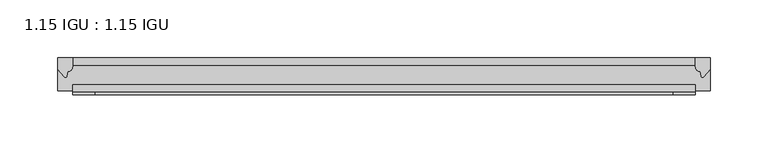
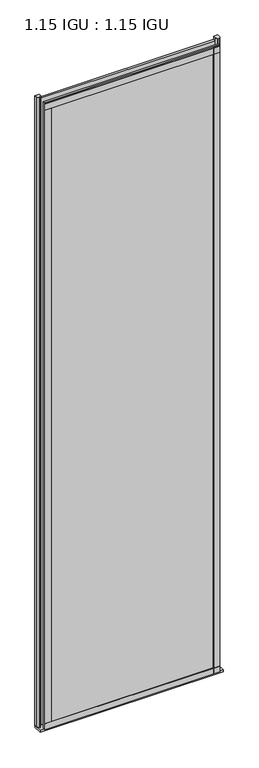
"""IFC4 building model written with IfcOpenShell, lengths in millimetres: plate geometry, 1.15 IGU : 1.15 IGU."""

from ifc_helpers import new_model, si_unit, point, frame, frame_2d, origin, place, context, project, spatial, polyline, circle_curve, trimmed, segment, composite_curve, outline, extrude, source, transform, mapped, element, save


def plate_1_15_igu_1_15_igu_234ca4bf(model_context):
    return source(origin(), model_context, "Body", "SweptSolid", [
        extrude(outline(polyline([(269.3769599, 0.0), (269.3769599, -6.2992), (-269.3769599, -6.2992), (-269.3769599, 0.0), (269.3769599, 0.0)])), frame((0.0, 0.0, -19.05), z_axis=(0.0, 0.0, 1.0), x_axis=(1.0, 0.0, 0.0)), (0.0, 0.0, 1.0), 2041.5250001),
        extrude(outline(polyline([(-269.3769599, -23.1648), (269.3769599, -23.1648), (269.3769599, -29.464), (-269.3769599, -29.464), (-269.3769599, -23.1648)])), frame((0.0, 0.0, -19.05), z_axis=(0.0, 0.0, 1.0), x_axis=(1.0, 0.0, 0.0)), (0.0, 0.0, 1.0), 2041.5250001),
        extrude(outline(composite_curve([segment(trimmed(circle_curve(frame_2d((10.9021792, -22.6833935)), 11.4916952), [point((0.0, -19.05))], [point((-0.2638007, -25.4))], True, "CARTESIAN"), True, "CONTINUOUS"), segment(polyline([(-0.2638007, -25.4), (-27.9952564, -25.4), (-27.9952564, -19.05), (0.0, -19.05)]), True, "CONTINUOUS")], self_intersect=False)), frame((-282.0769599, 0.0, 0.0), z_axis=(1.0, 0.0, 0.0), x_axis=(0.0, 1.0, 0.0)), (0.0, 0.0, 1.0), 564.1539197),
        extrude(outline(composite_curve([segment(polyline([(282.0769599, 0.0), (282.0769599, -9.7395025), (276.510729, -16.3730781)]), True, "CONTINUOUS"), segment(trimmed(circle_curve(frame_2d((275.557054, -15.7728374)), 1.1268473), [point((276.510729, -16.3730781))], [point((274.4561011, -16.0130197))], False, "CARTESIAN"), True, "CONTINUOUS"), segment(polyline([(274.4561011, -16.0130197), (273.4759096, -11.7377885)]), True, "CONTINUOUS"), segment(trimmed(circle_curve(frame_2d((273.3484578, -7.7683362)), 3.9714979), [point((273.4759096, -11.7377885))], [point((269.3771385, -7.8060014))], False, "CARTESIAN"), True, "CONTINUOUS"), segment(polyline([(269.3771385, -7.8060014), (269.3771385, 0.0), (282.0769599, 0.0)]), True, "CONTINUOUS")], self_intersect=False)), frame((0.0, 0.0, -19.05), z_axis=(0.0, 0.0, 1.0), x_axis=(1.0, 0.0, 0.0)), (0.0, 0.0, 1.0), 2051.8374001),
        extrude(outline(composite_curve([segment(polyline([(-269.3769599, 8.8e-06), (-269.3769599, -7.7683362)]), True, "CONTINUOUS"), segment(trimmed(circle_curve(frame_2d((-273.3484578, -7.7683362)), 3.9714979), [point((-269.3769599, -7.7683362))], [point((-273.4759096, -11.7377885))], False, "CARTESIAN"), True, "CONTINUOUS"), segment(polyline([(-273.4759096, -11.7377885), (-274.4559441, -16.012436)]), True, "CONTINUOUS"), segment(trimmed(circle_curve(frame_2d((-275.5571531, -15.7723555)), 1.1270758), [point((-274.4559441, -16.012436))], [point((-276.5109925, -16.372764))], False, "CARTESIAN"), True, "CONTINUOUS"), segment(polyline([(-276.5109925, -16.372764), (-282.0769599, -9.7395025), (-282.0769599, 8.8e-06), (-269.3769599, 8.8e-06)]), True, "CONTINUOUS")], self_intersect=False)), frame((0.0, 0.0, -19.05), z_axis=(0.0, 0.0, 1.0), x_axis=(1.0, 0.0, 0.0)), (0.0, 0.0, 1.0), 2051.8374001),
        extrude(outline(polyline([(-269.3769599, -31.75), (-269.3769599, -29.464), (269.3769599, -29.464), (269.3769599, -31.75), (-269.3769599, -31.75)])), frame((0.0, 0.0, -19.05), z_axis=(0.0, 0.0, 1.0), x_axis=(1.0, 0.0, 0.0)), (0.0, 0.0, 1.0), 19.05),
        extrude(outline(polyline([(-269.3769599, -31.75), (-269.3769599, -29.464), (269.3769599, -29.464), (269.3769599, -31.75), (-269.3769599, -31.75)])), frame((0.0, 0.0, 2000.2500001), z_axis=(0.0, 0.0, 1.0), x_axis=(1.0, 0.0, 0.0)), (0.0, 0.0, 1.0), 19.05),
        extrude(outline(polyline([(250.3269599, -29.464), (269.3769599, -29.464), (269.3769599, -31.75), (250.3269599, -31.75), (250.3269599, -29.464)])), frame((0.0, 0.0, -19.05), z_axis=(0.0, 0.0, 1.0), x_axis=(1.0, 0.0, 0.0)), (0.0, 0.0, 1.0), 2041.5250001),
        extrude(outline(polyline([(-269.3769599, -31.75), (-269.3769599, -29.464), (-250.3269599, -29.464), (-250.3269599, -31.75), (-269.3769599, -31.75)])), frame((0.0, 0.0, -19.05), z_axis=(0.0, 0.0, 1.0), x_axis=(1.0, 0.0, 0.0)), (0.0, 0.0, 1.0), 2041.5250001),
    ])


if __name__ == "__main__":
    model = new_model("IFC4")
    model_context = context("Model", 3, world=origin())
    ifc_project = project(units=[si_unit("LENGTHUNIT", "METRE", prefix="MILLI")], contexts=[model_context])
    site = spatial("IfcSite", under=ifc_project)
    building = spatial("IfcBuilding", under=site)
    placement = place(None, origin())
    plate_1_15_igu_1_15_igu_shape = plate_1_15_igu_1_15_igu_234ca4bf(model_context)
    element("IfcPlate", 1, ObjectType="1.15 IGU : 1.15 IGU", at=placement, inside=building, context=model_context, shape_type="MappedRepresentation", body=[
        mapped(plate_1_15_igu_1_15_igu_shape, transform((0.0, 0.0, 0.0), x_axis=(1.0, 0.0, 0.0), y_axis=(0.0, 1.0, 0.0), z_axis=(0.0, 0.0, 1.0))),
    ])
    save(model, "model.ifc")
